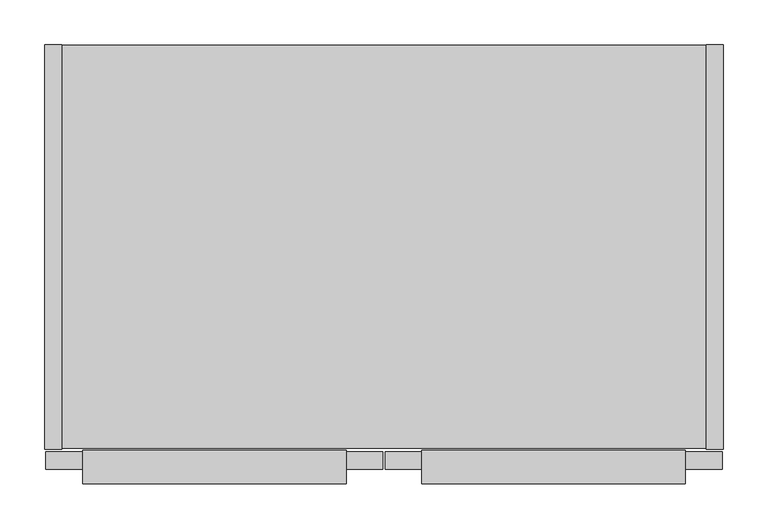
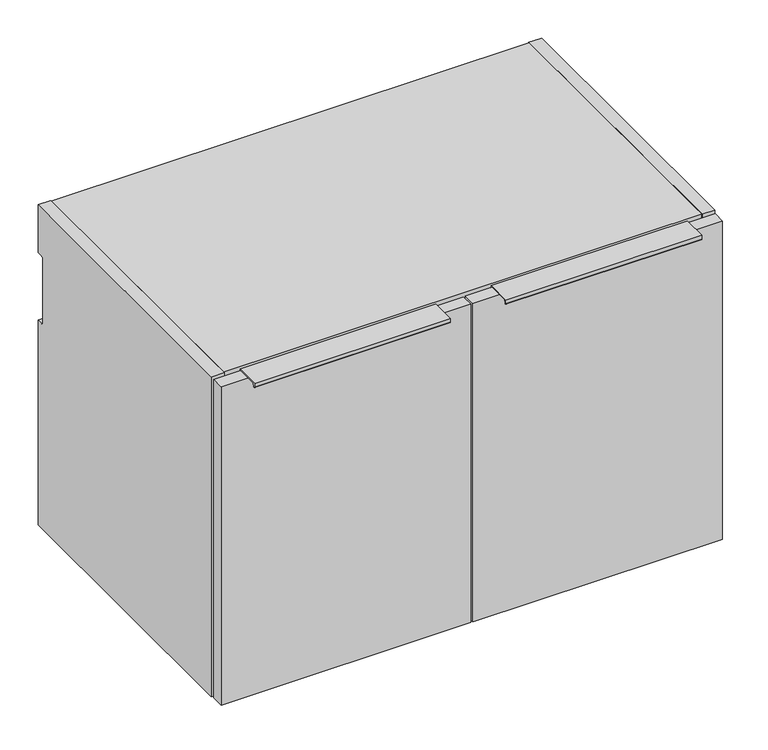
"""IFC4 building model written with IfcOpenShell, lengths in millimetres: furniture geometry."""

from ifc_helpers import new_model, si_unit, point, frame, frame_2d, origin, place, context, project, spatial, polyline, circle_curve, trimmed, segment, composite_curve, outline, extrude, source, transform, mapped, element, save


def furniture_ca677bb9(model_context):
    return source(origin(), model_context, "Body", "SweptSolid", [
        extrude(outline(composite_curve([segment(polyline([(-455.1095617, 887.325), (-455.1095617, 867.825), (-457.2, 867.825), (-457.2, 885.825), (-489.8685141, 885.825), (-491.1436358, 881.066181)]), True, "CONTINUOUS"), segment(trimmed(circle_curve(frame_2d((-492.1095617, 881.325)), 1.0), [point((-491.1436358, 881.066181))], [point((-493.1095617, 881.325))], False, "CARTESIAN"), True, "CONTINUOUS"), segment(polyline([(-493.1095617, 881.325), (-493.1095617, 887.325), (-455.1095617, 887.325)]), True, "CONTINUOUS")], self_intersect=False)), frame((423.2275, 0.0, 0.0), z_axis=(1.0, 0.0, 0.0), x_axis=(0.0, 1.0, 0.0)), (0.0, 0.0, 1.0), 296.0116),
        extrude(outline(composite_curve([segment(polyline([(-455.1095617, 887.325), (-455.1095617, 867.825), (-457.2, 867.825), (-457.2, 885.825), (-489.8685141, 885.825), (-491.1436358, 881.066181)]), True, "CONTINUOUS"), segment(trimmed(circle_curve(frame_2d((-492.1095617, 881.325)), 1.0), [point((-491.1436358, 881.066181))], [point((-493.1095617, 881.325))], False, "CARTESIAN"), True, "CONTINUOUS"), segment(polyline([(-493.1095617, 881.325), (-493.1095617, 887.325), (-455.1095617, 887.325)]), True, "CONTINUOUS")], self_intersect=False)), frame((42.7609, 0.0, 0.0), z_axis=(1.0, 0.0, 0.0), x_axis=(0.0, 1.0, 0.0)), (0.0, 0.0, 1.0), 296.0116),
        extrude(outline(polyline([(379.4125, -476.504), (1.5875, -476.504), (1.5875, -457.2), (379.4125, -457.2), (379.4125, -476.504)])), frame((0.0, 0.0, 376.428), z_axis=(0.0, 0.0, 1.0), x_axis=(1.0, 0.0, 0.0)), (0.0, 0.0, 1.0), 509.397),
        extrude(outline(polyline([(760.4125, -476.504), (382.5875, -476.504), (382.5875, -457.2), (760.4125, -457.2), (760.4125, -476.504)])), frame((0.0, 0.0, 376.428), z_axis=(0.0, 0.0, 1.0), x_axis=(1.0, 0.0, 0.0)), (0.0, 0.0, 1.0), 509.397),
        extrude(outline(composite_curve([segment(polyline([(-454.025, 889.0), (0.0, 889.0), (0.0, 812.292), (-9.3963729, 812.292)]), True, "CONTINUOUS"), segment(trimmed(circle_curve(frame_2d((-9.3963729, 808.9883729)), 3.3036271), [point((-9.3963729, 812.292))], [point((-12.7, 808.9883729))], True, "CARTESIAN"), True, "CONTINUOUS"), segment(polyline([(-12.7, 808.9883729), (-12.7, 707.644)]), True, "CONTINUOUS"), segment(trimmed(circle_curve(frame_2d((-9.398, 707.644)), 3.302), [point((-12.7, 707.644))], [point((-9.398, 704.342))], True, "CARTESIAN"), True, "CONTINUOUS"), segment(polyline([(-9.398, 704.342), (0.0, 704.342), (0.0, 376.428), (-454.025, 376.428), (-454.025, 889.0)]), True, "CONTINUOUS")], self_intersect=False)), frame((742.696, 0.0, 0.0), z_axis=(1.0, 0.0, 0.0), x_axis=(0.0, 1.0, 0.0)), (0.0, 0.0, 1.0), 19.304),
        extrude(outline(polyline([(742.696, -0.9906), (742.696, -453.0344), (19.304, -453.0344), (19.304, -0.9906), (742.696, -0.9906)])), frame((0.0, 0.0, 377.4186), z_axis=(0.0, 0.0, 1.0), x_axis=(1.0, 0.0, 0.0)), (0.0, 0.0, 1.0), 19.304),
        extrude(outline(composite_curve([segment(polyline([(-32.004, 869.696), (-11.938, 869.696), (-11.938, 811.0988429)]), True, "CONTINUOUS"), segment(trimmed(circle_curve(frame_2d((-9.3963729, 808.9883729)), 3.3036271), [point((-11.938, 811.0988429))], [point((-12.7, 808.9883729))], True, "CARTESIAN"), True, "CONTINUOUS"), segment(polyline([(-12.7, 808.9883729), (-12.7, 707.644)]), True, "CONTINUOUS"), segment(trimmed(circle_curve(frame_2d((-9.398, 707.644)), 3.302), [point((-12.7, 707.644))], [point((-11.938, 705.5341175))], True, "CARTESIAN"), True, "CONTINUOUS"), segment(polyline([(-11.938, 705.5341175), (-11.938, 396.7226), (-32.004, 396.7226), (-32.004, 869.696)]), True, "CONTINUOUS")], self_intersect=False)), frame((19.304, 0.0, 0.0), z_axis=(1.0, 0.0, 0.0), x_axis=(0.0, 1.0, 0.0)), (0.0, 0.0, 1.0), 723.392),
        extrude(outline(composite_curve([segment(polyline([(-454.025, 889.0), (0.0, 889.0), (0.0, 812.292), (-9.3963729, 812.292)]), True, "CONTINUOUS"), segment(trimmed(circle_curve(frame_2d((-9.3963729, 808.9883729)), 3.3036271), [point((-9.3963729, 812.292))], [point((-12.7, 808.9883729))], True, "CARTESIAN"), True, "CONTINUOUS"), segment(polyline([(-12.7, 808.9883729), (-12.7, 707.644)]), True, "CONTINUOUS"), segment(trimmed(circle_curve(frame_2d((-9.398, 707.644)), 3.302), [point((-12.7, 707.644))], [point((-9.398, 704.342))], True, "CARTESIAN"), True, "CONTINUOUS"), segment(polyline([(-9.398, 704.342), (0.0, 704.342), (0.0, 376.428), (-454.025, 376.428), (-454.025, 889.0)]), True, "CONTINUOUS")], self_intersect=False)), frame((0.0, 0.0, 0.0), z_axis=(1.0, 0.0, 0.0), x_axis=(0.0, 1.0, 0.0)), (0.0, 0.0, 1.0), 19.304),
        extrude(outline(polyline([(742.696, -453.0344), (19.304, -453.0344), (19.304, -0.9906), (742.696, -0.9906), (742.696, -453.0344)])), frame((0.0, 0.0, 869.696), z_axis=(0.0, 0.0, 1.0), x_axis=(1.0, 0.0, 0.0)), (0.0, 0.0, 1.0), 19.304),
    ])


if __name__ == "__main__":
    model = new_model("IFC4")
    model_context = context("Model", 3, world=origin())
    ifc_project = project(units=[si_unit("LENGTHUNIT", "METRE", prefix="MILLI")], contexts=[model_context])
    site = spatial("IfcSite", under=ifc_project)
    building = spatial("IfcBuilding", under=site)
    placement = place(None, origin())
    furniture_shape = furniture_ca677bb9(model_context)
    element("IfcFurniture", 1, at=placement, inside=building, context=model_context, shape_type="MappedRepresentation", body=[
        mapped(furniture_shape, transform((0.0, 0.0, 0.0), x_axis=(1.0, 0.0, 0.0), y_axis=(0.0, 1.0, 0.0), z_axis=(0.0, 0.0, 1.0))),
    ])
    save(model, "model.ifc")
